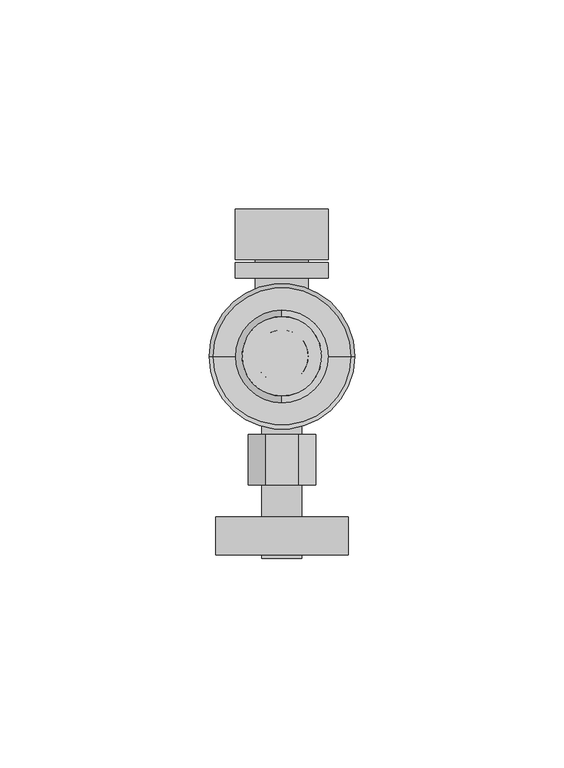
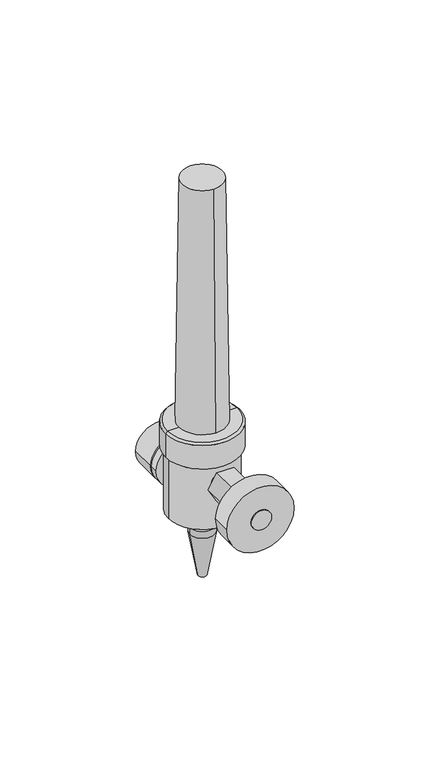
"""IFC4 building model written with IfcOpenShell, lengths in millimetres: proxy geometry."""

from ifc_helpers import new_model, si_unit, point, frame, frame_2d, origin, place, context, project, spatial, polyline, circle_curve, trimmed, segment, composite_curve, outline, extrude, source, transform, mapped, element, save
from ifc_brep_helpers import plane_surface, cylinder_surface, revolved_surface, advanced_brep


def specialty_equipment_526b279d(model_context):
    return source(origin(), model_context, "Body", "SolidModel", [
        extrude(outline(composite_curve([segment(trimmed(circle_curve(frame_2d((43.7511243, 0.0)), 11.1125), [point((43.7511243, -11.1125))], [point((43.7511243, 11.1125))], False, "CARTESIAN"), True, "CONTINUOUS"), segment(trimmed(circle_curve(frame_2d((43.7511243, 0.0)), 11.1125), [point((43.7511243, 11.1125))], [point((43.7511243, -11.1125))], False, "CARTESIAN"), True, "CONTINUOUS")], self_intersect=False)), frame((0.0, -12.1432676, 0.0), z_axis=(0.0, 1.0, 0.0), x_axis=(0.0, 0.0, 1.0)), (0.0, 0.0, 1.0), 12.1432676),
        extrude(outline(composite_curve([segment(trimmed(circle_curve(frame_2d((43.7511243, 0.0)), 6.35), [point((43.7511243, -6.35))], [point((43.7511243, 6.35))], False, "CARTESIAN"), True, "CONTINUOUS"), segment(trimmed(circle_curve(frame_2d((43.7511243, 0.0)), 6.35), [point((43.7511243, 6.35))], [point((43.7511243, -6.35))], False, "CARTESIAN"), True, "CONTINUOUS")], self_intersect=False)), frame((0.0, -23.8173533, 0.0), z_axis=(0.0, 1.0, 0.0), x_axis=(0.0, 0.0, 1.0)), (0.0, 0.0, 1.0), 11.6740858),
        extrude(outline(composite_curve([segment(trimmed(circle_curve(frame_2d((43.7511243, 0.0)), 11.1125), [point((43.7511243, -11.1125))], [point((43.7511243, 11.1125))], False, "CARTESIAN"), True, "CONTINUOUS"), segment(trimmed(circle_curve(frame_2d((43.7511243, 0.0)), 11.1125), [point((43.7511243, 11.1125))], [point((43.7511243, -11.1125))], False, "CARTESIAN"), True, "CONTINUOUS")], self_intersect=False)), frame((0.0, -16.577413, 0.0), z_axis=(0.0, 1.0, 0.0), x_axis=(0.0, 0.0, 1.0)), (0.0, 0.0, 1.0), 3.7345018),
        advanced_brep(
        [(0.0, -41.6430751, 195.0035492), (0.0, -28.9430751, 195.0035492), (0.0, -43.2305751, 77.2962509), (0.0, -27.3555751, 77.2962509)],
        [
            (0, 1, circle_curve(frame((0.0, -35.2930751, 195.0035492), z_axis=(0.0, 0.0, 1.0), x_axis=(0.0, -1.0, 0.0)), 6.35)),
            (1, 0, circle_curve(frame((0.0, -35.2930751, 195.0035492), z_axis=(0.0, 0.0, 1.0), x_axis=(0.0, 1.0, 0.0)), 6.35)),
            (2, 3, circle_curve(frame((0.0, -35.2930751, 77.2962509), z_axis=(0.0, 0.0, -1.0), x_axis=(0.0, 1.0, 0.0)), 7.9375)),
            (3, 2, circle_curve(frame((0.0, -35.2930751, 77.2962509), z_axis=(0.0, 0.0, -1.0), x_axis=(0.0, -1.0, 0.0)), 7.9375)),
            (3, 1),
            (0, 2),
        ],
        [
            plane_surface(frame((0.0, -35.2930751, 195.0035492), z_axis=(0.0, 0.0, 1.0), x_axis=(1.0, 0.0, 0.0))),
            plane_surface(frame((0.0, -35.2930751, 77.2962509), z_axis=(0.0, 0.0, -1.0), x_axis=(1.0, 0.0, 0.0))),
            revolved_surface(polyline([(0.0, -41.64307510053948, 195.0035492), (0.0, -43.2305751, 77.29625090000002)]), (0.0, -35.2930751, 665.8327426), (0.0, 0.0, -1.0)),
            revolved_surface(polyline([(0.0, -28.943075099460525, 195.0035492), (0.0, -27.3555751, 77.29625090000002)]), (0.0, -35.2930751, 665.8327426), (0.0, 0.0, -1.0)),
        ],
        [
            (0, [[1, 2]]),
            (1, [[3, 4]]),
            (2, [[-4, 5, -1, 6]]),
            (3, [[-3, -6, -2, -5]]),
        ],
    ),
        extrude(outline(composite_curve([segment(trimmed(circle_curve(frame_2d((56.2938544, 0.0)), 15.875), [point((56.2938544, -15.875))], [point((56.2938544, 15.875))], False, "CARTESIAN"), True, "CONTINUOUS"), segment(trimmed(circle_curve(frame_2d((56.2938544, 0.0)), 15.875), [point((56.2938544, 15.875))], [point((56.2938544, -15.875))], False, "CARTESIAN"), True, "CONTINUOUS")], self_intersect=False)), frame((0.0, -82.8161081, 0.0), z_axis=(0.0, 1.0, 0.0), x_axis=(0.0, 0.0, 1.0)), (0.0, 0.0, 1.0), 9.1021363),
        advanced_brep(
        [(0.0, -44.8180751, 197.9462509), (0.0, -25.7680751, 197.9462509), (0.0, -46.4055751, 77.2962509), (0.0, -24.1805751, 77.2962509)],
        [
            (0, 1, circle_curve(frame((0.0, -35.2930751, 197.9462509), z_axis=(0.0, 0.0, 1.0), x_axis=(0.0, -1.0, 0.0)), 9.525)),
            (1, 0, circle_curve(frame((0.0, -35.2930751, 197.9462509), z_axis=(0.0, 0.0, 1.0), x_axis=(0.0, 1.0, 0.0)), 9.525)),
            (2, 3, circle_curve(frame((0.0, -35.2930751, 77.2962509), z_axis=(0.0, 0.0, -1.0), x_axis=(0.0, 1.0, 0.0)), 11.1125)),
            (3, 2, circle_curve(frame((0.0, -35.2930751, 77.2962509), z_axis=(0.0, 0.0, -1.0), x_axis=(0.0, -1.0, 0.0)), 11.1125)),
            (3, 1),
            (0, 2),
        ],
        [
            plane_surface(frame((0.0, -35.2930751, 197.9462509), z_axis=(0.0, 0.0, 1.0), x_axis=(1.0, 0.0, 0.0))),
            plane_surface(frame((0.0, -35.2930751, 77.2962509), z_axis=(0.0, 0.0, -1.0), x_axis=(1.0, 0.0, 0.0))),
            revolved_surface(polyline([(0.0, -44.8180751, 197.9462509), (0.0, -46.4055751, 77.29625090000002)]), (0.0, -35.2930751, 921.8462509), (0.0, 0.0, -1.0)),
            revolved_surface(polyline([(0.0, -25.768075099999997, 197.9462509), (0.0, -24.1805751, 77.29625090000002)]), (0.0, -35.2930751, 921.8462509), (0.0, 0.0, -1.0)),
        ],
        [
            (0, [[1, 2]]),
            (1, [[3, 4]]),
            (2, [[-4, 5, -1, 6]]),
            (3, [[-3, -6, -2, -5]]),
        ],
    ),
        advanced_brep(
        [(16.4405012, -35.2930751, 77.2962509), (-16.4405012, -35.2930751, 77.2962509), (0.0, -35.2930751, 77.2962509), (17.4336479, -35.2930751, 76.3031042), (-17.4336479, -35.2930751, 76.3031042), (17.4336479, -35.2930751, 64.5962509), (-17.4336479, -35.2930751, 64.5962509), (14.6960919, -35.2930751, 64.5962509), (-14.6960919, -35.2930751, 64.5962509), (14.6960919, -35.2930751, 63.5321613), (-14.6960919, -35.2930751, 63.5321613), (15.9348033, -35.2930751, 63.5321613), (-15.9348033, -35.2930751, 63.5321613), (15.9348033, -35.2930751, 33.3696613), (-15.9348033, -35.2930751, 33.3696613), (8.893951, -35.2930751, 30.7772209), (-8.893951, -35.2930751, 30.7772209), (4.4469755, -35.2930751, 30.7772209), (-4.4469755, -35.2930751, 30.7772209), (4.4469755, -35.2930751, 25.4), (-4.4469755, -35.2930751, 25.4), (0.0, -35.2930751, 25.4)],
        [
            (0, 1, circle_curve(frame((0.0, -35.2930751, 77.2962509), z_axis=(0.0, 0.0, 1.0), x_axis=(-1.0, 0.0, 0.0)), 16.4405012)),
            (1, 2),
            (2, 0),
            (1, 0, circle_curve(frame((0.0, -35.2930751, 77.2962509), z_axis=(0.0, 0.0, 1.0), x_axis=(-1.0, 0.0, 0.0)), 16.4405012)),
            (3, 4, circle_curve(frame((0.0, -35.2930751, 76.3031042), z_axis=(0.0, 0.0, 1.0), x_axis=(-1.0, 0.0, 0.0)), 17.4336479)),
            (4, 1),
            (0, 3),
            (4, 3, circle_curve(frame((0.0, -35.2930751, 76.3031042), z_axis=(0.0, 0.0, 1.0), x_axis=(-1.0, 0.0, 0.0)), 17.4336479)),
            (5, 6, circle_curve(frame((0.0, -35.2930751, 64.5962509), z_axis=(0.0, 0.0, 1.0), x_axis=(-1.0, 0.0, 0.0)), 17.4336479)),
            (6, 4),
            (3, 5),
            (6, 5, circle_curve(frame((0.0, -35.2930751, 64.5962509), z_axis=(0.0, 0.0, 1.0), x_axis=(-1.0, 0.0, 0.0)), 17.4336479)),
            (7, 8, circle_curve(frame((0.0, -35.2930751, 64.5962509), z_axis=(0.0, 0.0, 1.0), x_axis=(-1.0, 0.0, 0.0)), 14.6960919)),
            (8, 6),
            (5, 7),
            (8, 7, circle_curve(frame((0.0, -35.2930751, 64.5962509), z_axis=(0.0, 0.0, 1.0), x_axis=(-1.0, 0.0, 0.0)), 14.6960919)),
            (9, 10, circle_curve(frame((0.0, -35.2930751, 63.5321613), z_axis=(0.0, 0.0, 1.0), x_axis=(-1.0, 0.0, 0.0)), 14.6960919)),
            (10, 8),
            (7, 9),
            (10, 9, circle_curve(frame((0.0, -35.2930751, 63.5321613), z_axis=(0.0, 0.0, 1.0), x_axis=(-1.0, 0.0, 0.0)), 14.6960919)),
            (11, 12, circle_curve(frame((0.0, -35.2930751, 63.5321613), z_axis=(0.0, 0.0, 1.0), x_axis=(-1.0, 0.0, 0.0)), 15.9348033)),
            (12, 10),
            (9, 11),
            (12, 11, circle_curve(frame((0.0, -35.2930751, 63.5321613), z_axis=(0.0, 0.0, 1.0), x_axis=(-1.0, 0.0, 0.0)), 15.9348033)),
            (13, 14, circle_curve(frame((0.0, -35.2930751, 33.3696613), z_axis=(0.0, 0.0, 1.0), x_axis=(-1.0, 0.0, 0.0)), 15.9348033)),
            (14, 12),
            (11, 13),
            (14, 13, circle_curve(frame((0.0, -35.2930751, 33.3696613), z_axis=(0.0, 0.0, 1.0), x_axis=(-1.0, 0.0, 0.0)), 15.9348033)),
            (15, 16, circle_curve(frame((0.0, -35.2930751, 30.7772209), z_axis=(0.0, 0.0, 1.0), x_axis=(-1.0, 0.0, 0.0)), 8.893951)),
            (16, 14),
            (13, 15),
            (16, 15, circle_curve(frame((0.0, -35.2930751, 30.7772209), z_axis=(0.0, 0.0, 1.0), x_axis=(-1.0, 0.0, 0.0)), 8.893951)),
            (17, 18, circle_curve(frame((0.0, -35.2930751, 30.7772209), z_axis=(0.0, 0.0, 1.0), x_axis=(-1.0, 0.0, 0.0)), 4.4469755)),
            (18, 16),
            (15, 17),
            (18, 17, circle_curve(frame((0.0, -35.2930751, 30.7772209), z_axis=(0.0, 0.0, 1.0), x_axis=(-1.0, 0.0, 0.0)), 4.4469755)),
            (19, 20, circle_curve(frame((0.0, -35.2930751, 25.4), z_axis=(0.0, 0.0, 1.0), x_axis=(-1.0, 0.0, 0.0)), 4.4469755)),
            (20, 18),
            (17, 19),
            (20, 19, circle_curve(frame((0.0, -35.2930751, 25.4), z_axis=(0.0, 0.0, 1.0), x_axis=(-1.0, 0.0, 0.0)), 4.4469755)),
            (21, 20),
            (19, 21),
        ],
        [
            plane_surface(frame((0.0, -35.2930751, 77.2962509), z_axis=(0.0, 0.0, 1.0), x_axis=(-1.0, 0.0, 0.0))),
            revolved_surface(polyline([(-16.4405012, -35.2930751, 77.2962509), (-17.4336479, -35.2930751, 76.3031042)]), (0.0, -35.2930751, 77.2962509), (0.0, 0.0, -1.0)),
            cylinder_surface(frame((0.0, -35.2930751, 77.2962509), z_axis=(0.0, 0.0, -1.0), x_axis=(-1.0, 0.0, 0.0)), 17.4336479),
            plane_surface(frame((0.0, -35.2930751, 64.5962509), z_axis=(0.0, 0.0, -1.0), x_axis=(-1.0, 0.0, 0.0))),
            cylinder_surface(frame((0.0, -35.2930751, 77.2962509), z_axis=(0.0, 0.0, -1.0), x_axis=(-1.0, 0.0, 0.0)), 14.6960919),
            plane_surface(frame((0.0, -35.2930751, 63.5321613), z_axis=(0.0, 0.0, 1.0), x_axis=(-1.0, 0.0, 0.0))),
            cylinder_surface(frame((0.0, -35.2930751, 77.2962509), z_axis=(0.0, 0.0, -1.0), x_axis=(-1.0, 0.0, 0.0)), 15.9348033),
            revolved_surface(polyline([(-15.9348033, -35.2930751, 33.3696613), (-8.893951, -35.2930751, 30.7772209)]), (0.0, -35.2930751, 77.2962509), (0.0, 0.0, -1.0)),
            plane_surface(frame((0.0, -35.2930751, 30.7772209), z_axis=(0.0, 0.0, -1.0), x_axis=(-1.0, 0.0, 0.0))),
            cylinder_surface(frame((0.0, -35.2930751, 77.2962509), z_axis=(0.0, 0.0, -1.0), x_axis=(-1.0, 0.0, 0.0)), 4.4469755),
            plane_surface(frame((0.0, -35.2930751, 25.4), z_axis=(0.0, 0.0, -1.0), x_axis=(-1.0, 0.0, 0.0))),
        ],
        [
            (0, [[1, 2, 3]]),
            (0, [[4, -3, -2]]),
            (1, [[5, 6, -1, 7]]),
            (1, [[8, -7, -4, -6]]),
            (2, [[9, 10, -5, 11]]),
            (2, [[12, -11, -8, -10]]),
            (3, [[13, 14, -9, 15]]),
            (3, [[16, -15, -12, -14]]),
            (4, [[17, 18, -13, 19]]),
            (4, [[20, -19, -16, -18]]),
            (5, [[21, 22, -17, 23]]),
            (5, [[24, -23, -20, -22]]),
            (6, [[25, 26, -21, 27]]),
            (6, [[28, -27, -24, -26]]),
            (7, [[29, 30, -25, 31]]),
            (7, [[32, -31, -28, -30]]),
            (8, [[33, 34, -29, 35]]),
            (8, [[36, -35, -32, -34]]),
            (9, [[37, 38, -33, 39]]),
            (9, [[40, -39, -36, -38]]),
            (10, [[41, -37, 42]]),
            (10, [[-42, -40, -41]]),
        ],
    ),
        extrude(outline(composite_curve([segment(trimmed(circle_curve(frame_2d((56.2938544, 0.0)), 4.7625), [point((56.2938544, -4.7625))], [point((56.2938544, 4.7625))], False, "CARTESIAN"), True, "CONTINUOUS"), segment(trimmed(circle_curve(frame_2d((56.2938544, 0.0)), 4.7625), [point((56.2938544, 4.7625))], [point((56.2938544, -4.7625))], False, "CARTESIAN"), True, "CONTINUOUS")], self_intersect=False)), frame((0.0, -83.6906625, 0.0), z_axis=(0.0, 1.0, 0.0), x_axis=(0.0, 0.0, 1.0)), (0.0, 0.0, 1.0), 33.6662415),
        extrude(outline(polyline([(63.2590636, -4.0213654), (56.2938544, -8.0427308), (49.3286452, -4.0213654), (49.3286452, 4.0213654), (56.2938544, 8.0427308), (63.2590636, 4.0213654), (63.2590636, -4.0213654)])), frame((0.0, -66.0458786, 0.0), z_axis=(0.0, 1.0, 0.0), x_axis=(0.0, 0.0, 1.0)), (0.0, 0.0, 1.0), 12.0291395),
        advanced_brep(
        [(0.0, -35.2930751, 25.4), (-5.8611698, -35.2930751, 25.4), (5.8611698, -35.2930751, 25.4), (2.0092135, -35.2930751, 0.0), (-2.0092135, -35.2930751, 0.0), (0.0, -35.2930751, 0.0), (5.8611698, -35.2930751, 21.8455296), (-5.8611698, -35.2930751, 21.8455296)],
        [
            (0, 1),
            (1, 2, circle_curve(frame((0.0, -35.2930751, 25.4), z_axis=(0.0, 0.0, 1.0), x_axis=(-1.0, 0.0, 0.0)), 5.8611698)),
            (2, 0),
            (2, 1, circle_curve(frame((0.0, -35.2930751, 25.4), z_axis=(0.0, 0.0, 1.0), x_axis=(-1.0, 0.0, 0.0)), 5.8611698)),
            (3, 4, circle_curve(frame((0.0, -35.2930751, 0.0), z_axis=(0.0, 0.0, -1.0), x_axis=(-1.0, 0.0, 0.0)), 2.0092135)),
            (4, 5),
            (5, 3),
            (4, 3, circle_curve(frame((0.0, -35.2930751, 0.0), z_axis=(0.0, 0.0, -1.0), x_axis=(-1.0, 0.0, 0.0)), 2.0092135)),
            (6, 7, circle_curve(frame((0.0, -35.2930751, 21.8455296), z_axis=(0.0, 0.0, -1.0), x_axis=(-1.0, 0.0, 0.0)), 5.8611698)),
            (7, 4),
            (3, 6),
            (7, 6, circle_curve(frame((0.0, -35.2930751, 21.8455296), z_axis=(0.0, 0.0, -1.0), x_axis=(-1.0, 0.0, 0.0)), 5.8611698)),
            (1, 7),
            (6, 2),
        ],
        [
            plane_surface(frame((0.0, -35.2930751, 25.4), z_axis=(0.0, 0.0, 1.0), x_axis=(-1.0, 0.0, 0.0))),
            plane_surface(frame((0.0, -35.2930751, 0.0), z_axis=(0.0, 0.0, -1.0), x_axis=(-1.0, 0.0, 0.0))),
            revolved_surface(polyline([(-2.0092135, -35.2930751, 0.0), (-5.8611698, -35.2930751, 21.8455296)]), (0.0, -35.2930751, 23.4018459), (0.0, 0.0, 1.0)),
            cylinder_surface(frame((0.0, -35.2930751, 23.4018459), z_axis=(0.0, 0.0, 1.0), x_axis=(-1.0, 0.0, 0.0)), 5.8611698),
        ],
        [
            (0, [[1, 2, 3]]),
            (0, [[-3, 4, -1]]),
            (1, [[5, 6, 7]]),
            (1, [[8, -7, -6]]),
            (2, [[9, 10, -5, 11]]),
            (2, [[12, -11, -8, -10]]),
            (3, [[-2, 13, -9, 14]]),
            (3, [[-4, -14, -12, -13]]),
        ],
    ),
    ])


if __name__ == "__main__":
    model = new_model("IFC4")
    model_context = context("Model", 3, world=origin())
    ifc_project = project(units=[si_unit("LENGTHUNIT", "METRE", prefix="MILLI")], contexts=[model_context])
    site = spatial("IfcSite", under=ifc_project)
    building = spatial("IfcBuilding", under=site)
    placement = place(None, origin())
    specialty_equipment_shape = specialty_equipment_526b279d(model_context)
    element("IfcBuildingElementProxy", 1, Name="Specialty Equipment", at=placement, inside=building, context=model_context, shape_type="MappedRepresentation", body=[
        mapped(specialty_equipment_shape, transform((0.0, 0.0, 0.0), x_axis=(1.0, 0.0, 0.0), y_axis=(0.0, 1.0, 0.0), z_axis=(0.0, 0.0, 1.0))),
    ])
    save(model, "model.ifc")
